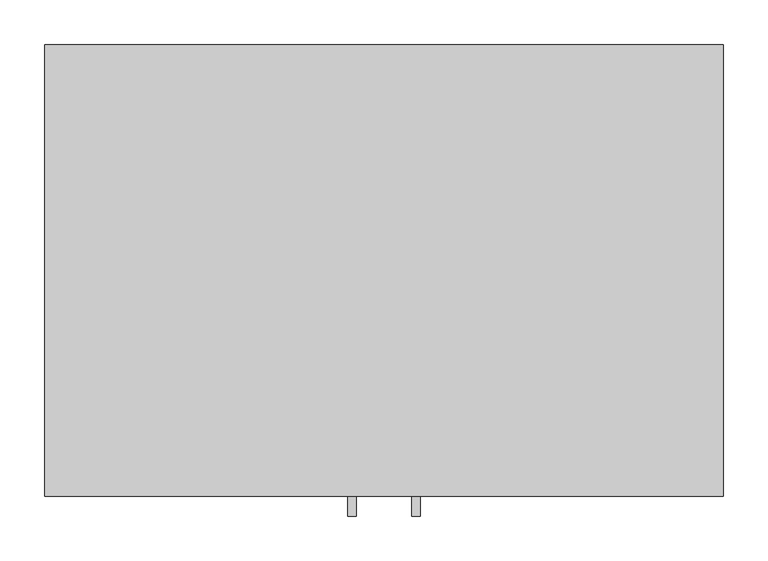
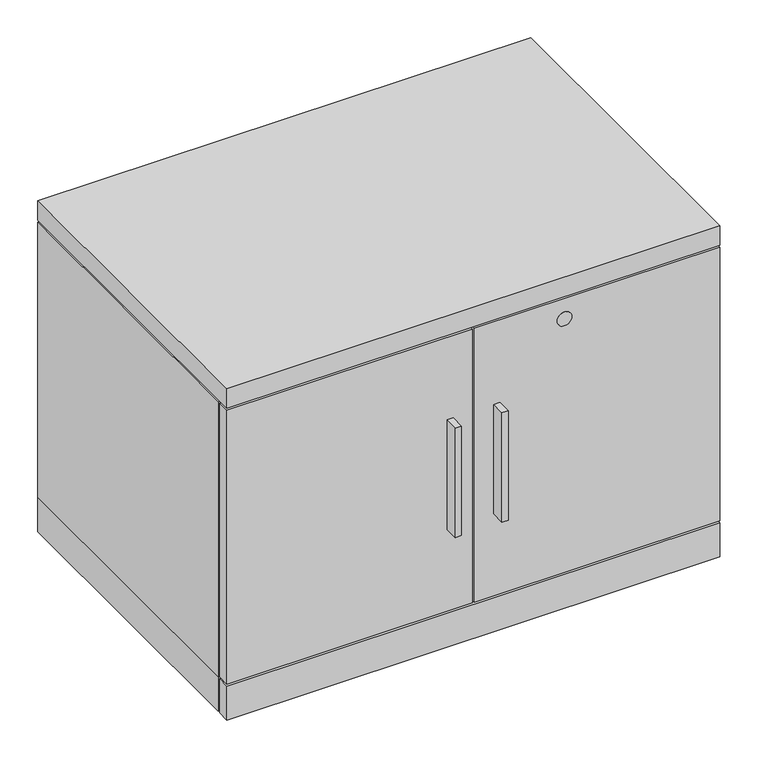
"""IFC4 building model written with IfcOpenShell, lengths in millimetres: furniture geometry."""

from ifc_helpers import new_model, si_unit, point, frame, frame_2d, origin, origin_with_axes, place, context, project, spatial, polyline, circle_curve, trimmed, segment, composite_curve, outline, extrude, faceted_brep, source, transform, mapped, element, save


def furniture_a3a53b3d(model_context):
    return source(origin(), model_context, "Body", "SolidModel", [
        extrude(outline(polyline([(340.2965, -528.574), (340.2965, -506.349), (349.8215, -506.349), (349.8215, -528.574), (340.2965, -528.574)])), frame((0.0, 0.0, 195.4021939), z_axis=(0.0, 0.0, 1.0), x_axis=(1.0, 0.0, 0.0)), (0.0, 0.0, 1.0), 177.8),
        extrude(outline(polyline([(421.7035, -528.574), (412.1785, -528.574), (412.1785, -506.349), (421.7035, -506.349), (421.7035, -528.574)])), frame((0.0, 0.0, 195.4021939), z_axis=(0.0, 0.0, 1.0), x_axis=(1.0, 0.0, 0.0)), (0.0, 0.0, 1.0), 177.8),
        extrude(outline(polyline([(760.4125, -1.524), (760.4125, -483.235), (1.5875, -483.235), (1.5875, -1.524), (760.4125, -1.524)])), frame((0.0, 0.0, 3.5814), z_axis=(0.0, 0.0, 1.0), x_axis=(1.0, 0.0, 0.0)), (0.0, 0.0, 1.0), 55.1688),
        extrude(outline(polyline([(760.4125, -487.045), (760.4125, -506.349), (1.5875, -506.349), (1.5875, -487.045), (760.4125, -487.045)])), frame((0.0, 0.0, 3.5814), z_axis=(0.0, 0.0, 1.0), x_axis=(1.0, 0.0, 0.0)), (0.0, 0.0, 1.0), 55.1688),
        extrude(outline(composite_curve([segment(trimmed(circle_curve(frame_2d((474.5482, 521.1699)), 11.176), [point((474.5482, 532.3459))], [point((474.5482, 509.9939))], False, "CARTESIAN"), True, "CONTINUOUS"), segment(trimmed(circle_curve(frame_2d((474.5482, 521.1699)), 11.176), [point((474.5482, 509.9939))], [point((474.5482, 532.3459))], False, "CARTESIAN"), True, "CONTINUOUS")], self_intersect=False)), frame((0.0, -506.603, 0.0), z_axis=(0.0, 1.0, 0.0), x_axis=(0.0, 0.0, 1.0)), (0.0, 0.0, 1.0), 4.69392),
        extrude(outline(polyline([(379.4125, -506.349), (1.5875, -506.349), (1.5875, -487.045), (379.4125, -487.045), (379.4125, -506.349)])), frame((0.0, 0.0, 61.9252), z_axis=(0.0, 0.0, 1.0), x_axis=(1.0, 0.0, 0.0)), (0.0, 0.0, 1.0), 445.4652),
        extrude(outline(polyline([(760.4125, -506.349), (382.5875, -506.349), (382.5875, -487.045), (760.4125, -487.045), (760.4125, -506.349)])), frame((0.0, 0.0, 61.9252), z_axis=(0.0, 0.0, 1.0), x_axis=(1.0, 0.0, 0.0)), (0.0, 0.0, 1.0), 445.4652),
        extrude(outline(polyline([(46.1772, -27.7114), (61.8363, -36.7521856), (61.8363, -54.8337568), (46.1772, -63.8745424), (30.5181, -54.8337568), (30.5181, -36.7521856), (46.1772, -27.7114)])), origin_with_axes(), (0.0, 0.0, 1.0), 8.4328),
        extrude(outline(polyline([(46.1772, -480.1616), (30.5181, -471.1208144), (30.5181, -453.0392432), (46.1772, -443.9984576), (61.8363, -453.0392432), (61.8363, -471.1208144), (46.1772, -480.1616)])), origin_with_axes(), (0.0, 0.0, 1.0), 8.4328),
        extrude(outline(polyline([(715.8228, -27.7114), (731.4819, -36.7521856), (731.4819, -54.8337568), (715.8228, -63.8745424), (700.1637, -54.8337568), (700.1637, -36.7521856), (715.8228, -27.7114)])), origin_with_axes(), (0.0, 0.0, 1.0), 8.4328),
        extrude(outline(polyline([(715.8228, -480.1616), (700.1637, -471.1208144), (700.1637, -453.0392432), (715.8228, -443.9984576), (731.4819, -453.0392432), (731.4819, -471.1208144), (715.8228, -480.1616)])), origin_with_axes(), (0.0, 0.0, 1.0), 8.4328),
        extrude(outline(polyline([(760.4125, -506.349), (1.5875, -506.349), (1.5875, -1.524), (760.4125, -1.524), (760.4125, -506.349)])), frame((0.0, 0.0, 510.5654), z_axis=(0.0, 0.0, 1.0), x_axis=(1.0, 0.0, 0.0)), (0.0, 0.0, 1.0), 31.75),
        faceted_brep([(760.4125, -1.524, 507.3904), (760.4125, -1.524, 58.7502), (1.5875, -1.524, 58.7502), (1.5875, -1.524, 507.3904), (1.5875, -483.235, 507.3904), (760.4125, -483.235, 507.3904), (1.5875, -483.235, 58.7502), (760.4125, -483.235, 58.7502), (738.1875, -23.749, 489.9152), (23.8125, -23.749, 489.9152), (23.8125, -23.749, 79.4004), (738.1875, -23.749, 79.4004), (738.1875, -483.235, 489.9152), (23.8125, -483.235, 489.9152), (23.8125, -483.235, 79.4004), (738.1875, -483.235, 79.4004)], [[[0, 1, 2, 3]], [[0, 3, 4, 5]], [[3, 2, 6, 4]], [[2, 1, 7, 6]], [[1, 0, 5, 7]], [[8, 9, 10, 11]], [[9, 8, 12, 13]], [[10, 9, 13, 14]], [[11, 10, 14, 15]], [[8, 11, 15, 12]], [[5, 4, 6, 7], [13, 12, 15, 14]]]),
    ])


if __name__ == "__main__":
    model = new_model("IFC4")
    model_context = context("Model", 3, world=origin())
    ifc_project = project(units=[si_unit("LENGTHUNIT", "METRE", prefix="MILLI")], contexts=[model_context])
    site = spatial("IfcSite", under=ifc_project)
    building = spatial("IfcBuilding", under=site)
    placement = place(None, origin())
    furniture_shape = furniture_a3a53b3d(model_context)
    element("IfcFurniture", 1, at=placement, inside=building, context=model_context, shape_type="MappedRepresentation", body=[
        mapped(furniture_shape, transform((0.0, 0.0, 0.0), x_axis=(1.0, 0.0, 0.0), y_axis=(0.0, 1.0, 0.0), z_axis=(0.0, 0.0, 1.0))),
    ])
    save(model, "model.ifc")
